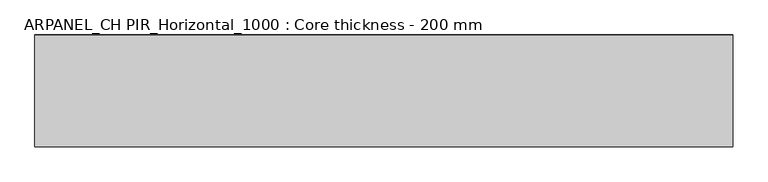
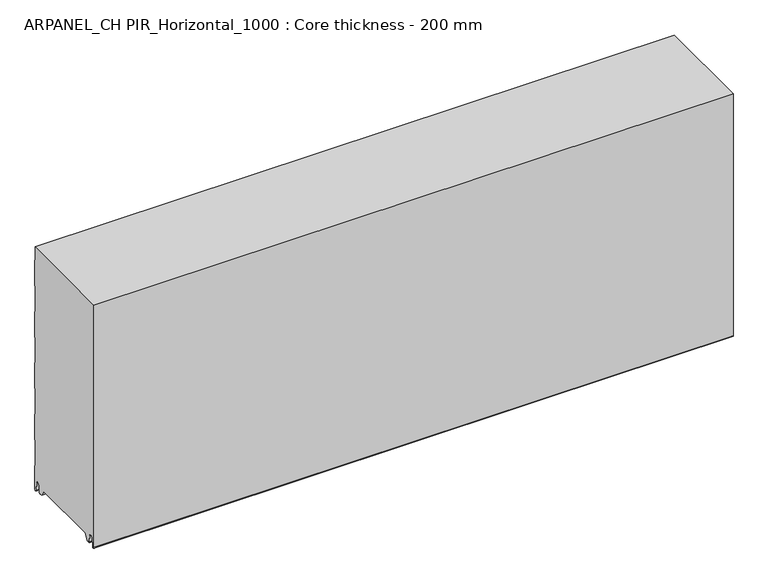
"""IFC4 building model written with IfcOpenShell, lengths in millimetres: plate geometry, ARPANEL_CH PIR_Horizontal_1000 : Core thickness - 200 mm."""

from ifc_helpers import new_model, si_unit, frame, origin, place, context, project, spatial, polyline, circle_curve, source, transform, mapped, element, save
from ifc_brep_helpers import plane_surface, cylinder_surface, revolved_surface, advanced_brep


def arpanel_ch_pir_horizontal_1000_core_thickness_200_mm_87222797(model_context):
    return source(origin(), model_context, "Body", "AdvancedBrep", [
        advanced_brep(
        [(620.0, -169.873448, 15.1417681), (620.0, -30.126552, 15.1417681), (620.0, -23.4071318, 3.165779), (620.0, -17.4169005, 3.165779), (620.0, -19.6169005, 5.365779), (620.0, -18.8169005, 5.365779), (620.0, -16.0235822, 5.2291629), (620.0, -14.6379549, 19.3608832), (620.0, -10.8223285, 22.7899182), (620.0, -7.0067021, 19.3608832), (620.0, -5.3893281, 2.8656275), (620.0, -0.8003051, 3.0900682), (620.0, -0.8, 49.9459237), (620.0, -1.0986697, 50.9973395), (620.0, -1.5003051, 52.4177205), (620.0, -1.5003051, 102.5775037), (620.0, -1.0971009, 103.9969151), (620.0, -0.8, 105.0493005), (620.0, -0.8, 155.2090837), (620.0, -1.0986697, 156.2604995), (620.0, -1.5003051, 157.6808805), (620.0, -1.5003051, 207.8406637), (620.0, -1.0971009, 209.2600751), (620.0, -0.8, 210.3124605), (620.0, -0.8, 260.4722437), (620.0, -1.0986697, 261.5236595), (620.0, -1.5003051, 262.9440405), (620.0, -1.5003051, 313.1038237), (620.0, -1.0971009, 314.5232351), (620.0, -0.8, 315.5756205), (620.0, -0.8, 365.7354037), (620.0, -1.0986697, 366.7868195), (620.0, -1.5003051, 368.2072005), (620.0, -1.5003051, 418.3669837), (620.0, -1.0971009, 419.7863951), (620.0, -0.8, 420.8387805), (620.0, -0.8, 470.9985637), (620.0, -1.0986697, 472.0499795), (620.0, -1.5003051, 473.4703605), (620.0, -1.5003051, 500.0), (620.0, -199.2, 500.0), (620.0, -199.2, 3.0900682), (620.0, -194.6106719, 2.8656275), (620.0, -192.9932979, 19.3608832), (620.0, -189.1776715, 22.7899182), (620.0, -185.3620451, 19.3608832), (620.0, -183.9764178, 5.2291629), (620.0, -181.1830995, 5.365779), (620.0, -180.3830995, 5.365779), (620.0, -182.5830995, 3.165779), (620.0, -176.5928682, 3.165779), (-620.0, -30.126552, 15.1417681), (-620.0, -169.873448, 15.1417681), (-620.0, -176.5928682, 3.165779), (-620.0, -182.5830995, 3.165779), (-620.0, -180.3830995, 5.365779), (-620.0, -181.1830995, 5.365779), (-620.0, -183.9764178, 5.2291629), (-620.0, -185.3620451, 19.3608832), (-620.0, -189.1776715, 22.7899182), (-620.0, -192.9932979, 19.3608832), (-620.0, -194.6106719, 2.8656275), (-620.0, -199.1996949, 3.0900682), (-620.0, -199.2, 500.0), (-620.0, -1.5003051, 500.0), (-620.0, -1.5003051, 473.4703605), (-620.0, -1.0971009, 472.0509491), (-620.0, -0.8, 470.9985637), (-620.0, -0.8, 420.8387805), (-620.0, -1.0986697, 419.7873646), (-620.0, -1.5003051, 418.3669837), (-620.0, -1.5003051, 368.2072005), (-620.0, -1.0971009, 366.7877891), (-620.0, -0.8, 365.7354037), (-620.0, -0.8, 315.5756205), (-620.0, -1.0986697, 314.5242046), (-620.0, -1.5003051, 313.1038237), (-620.0, -1.5003051, 262.9440405), (-620.0, -1.0971009, 261.5246291), (-620.0, -0.8, 260.4722437), (-620.0, -0.8, 210.3124605), (-620.0, -1.0986697, 209.2610446), (-620.0, -1.5003051, 207.8406637), (-620.0, -1.5003051, 157.6808805), (-620.0, -1.0971009, 156.2614691), (-620.0, -0.8, 155.2090837), (-620.0, -0.8, 105.0493005), (-620.0, -1.0986697, 103.9978846), (-620.0, -1.5003051, 102.5775037), (-620.0, -1.5003051, 52.4177205), (-620.0, -1.0971009, 50.9983091), (-620.0, -0.8, 49.9459237), (-620.0, -0.8, 3.0900682), (-620.0, -5.3893281, 2.8656275), (-620.0, -7.0067021, 19.3608832), (-620.0, -10.8223285, 22.7899182), (-620.0, -14.6379549, 19.3608832), (-620.0, -16.0235822, 5.2291629), (-620.0, -18.8169005, 5.365779), (-620.0, -19.6169005, 5.365779), (-620.0, -17.4169005, 3.165779), (-620.0, -23.4071318, 3.165779)],
        [
            (0, 1),
            (1, 2),
            (2, 3),
            (3, 4, circle_curve(frame((620.0, -17.4169005, 5.365779), z_axis=(-1.0, 0.0, 0.0), x_axis=(0.0, 0.0, -1.0)), 2.2)),
            (4, 5),
            (5, 6, circle_curve(frame((620.0, -17.4169005, 5.365779), z_axis=(1.0, 0.0, 0.0), x_axis=(0.0, 0.0, -1.0)), 1.4)),
            (6, 7),
            (7, 8, circle_curve(frame((620.0, -10.8560907, 18.9900682), z_axis=(-1.0, 0.0, 0.0), x_axis=(0.0, 0.0, -1.0)), 3.8)),
            (8, 9, circle_curve(frame((620.0, -10.7885662, 18.9900682), z_axis=(-1.0, 0.0, 0.0), x_axis=(0.0, 0.0, -1.0)), 3.8)),
            (9, 10),
            (10, 11, circle_curve(frame((620.0, -3.1003051, 3.0900682), z_axis=(1.0, 0.0, 0.0), x_axis=(0.0, 0.0, -1.0)), 2.3)),
            (11, 12),
            (12, 13, circle_curve(frame((620.0, -2.8, 49.9459237), z_axis=(1.0, 0.0, 0.0), x_axis=(0.0, 0.0, -1.0)), 2.0)),
            (13, 14, circle_curve(frame((620.0, 1.1996949, 52.4177205), z_axis=(-1.0, 0.0, 0.0), x_axis=(0.0, 0.0, -1.0)), 2.7)),
            (14, 15),
            (15, 16, circle_curve(frame((620.0, 1.1996949, 102.5775037), z_axis=(-1.0, 0.0, 0.0), x_axis=(0.0, 0.0, -1.0)), 2.7)),
            (16, 17, circle_curve(frame((620.0, -2.8, 105.0493005), z_axis=(1.0, 0.0, 0.0), x_axis=(0.0, 0.0, -1.0)), 2.0)),
            (17, 18),
            (18, 19, circle_curve(frame((620.0, -2.8, 155.2090837), z_axis=(1.0, 0.0, 0.0), x_axis=(0.0, 0.0, -1.0)), 2.0)),
            (19, 20, circle_curve(frame((620.0, 1.1996949, 157.6808805), z_axis=(-1.0, 0.0, 0.0), x_axis=(0.0, 0.0, -1.0)), 2.7)),
            (20, 21),
            (21, 22, circle_curve(frame((620.0, 1.1996949, 207.8406637), z_axis=(-1.0, 0.0, 0.0), x_axis=(0.0, 0.0, -1.0)), 2.7)),
            (22, 23, circle_curve(frame((620.0, -2.8, 210.3124605), z_axis=(1.0, 0.0, 0.0), x_axis=(0.0, 0.0, -1.0)), 2.0)),
            (23, 24),
            (24, 25, circle_curve(frame((620.0, -2.8, 260.4722437), z_axis=(1.0, 0.0, 0.0), x_axis=(0.0, 0.0, -1.0)), 2.0)),
            (25, 26, circle_curve(frame((620.0, 1.1996949, 262.9440405), z_axis=(-1.0, 0.0, 0.0), x_axis=(0.0, 0.0, -1.0)), 2.7)),
            (26, 27),
            (27, 28, circle_curve(frame((620.0, 1.1996949, 313.1038237), z_axis=(-1.0, 0.0, 0.0), x_axis=(0.0, 0.0, -1.0)), 2.7)),
            (28, 29, circle_curve(frame((620.0, -2.8, 315.5756205), z_axis=(1.0, 0.0, 0.0), x_axis=(0.0, 0.0, -1.0)), 2.0)),
            (29, 30),
            (30, 31, circle_curve(frame((620.0, -2.8, 365.7354037), z_axis=(1.0, 0.0, 0.0), x_axis=(0.0, 0.0, -1.0)), 2.0)),
            (31, 32, circle_curve(frame((620.0, 1.1996949, 368.2072005), z_axis=(-1.0, 0.0, 0.0), x_axis=(0.0, 0.0, -1.0)), 2.7)),
            (32, 33),
            (33, 34, circle_curve(frame((620.0, 1.1996949, 418.3669837), z_axis=(-1.0, 0.0, 0.0), x_axis=(0.0, 0.0, -1.0)), 2.7)),
            (34, 35, circle_curve(frame((620.0, -2.8, 420.8387805), z_axis=(1.0, 0.0, 0.0), x_axis=(0.0, 0.0, -1.0)), 2.0)),
            (35, 36),
            (36, 37, circle_curve(frame((620.0, -2.8, 470.9985637), z_axis=(1.0, 0.0, 0.0), x_axis=(0.0, 0.0, -1.0)), 2.0)),
            (37, 38, circle_curve(frame((620.0, 1.1996949, 473.4703605), z_axis=(-1.0, 0.0, 0.0), x_axis=(0.0, 0.0, -1.0)), 2.7)),
            (38, 39),
            (39, 40),
            (40, 41),
            (41, 42, circle_curve(frame((620.0, -196.8996949, 3.0900682), z_axis=(1.0, 0.0, 0.0), x_axis=(0.0, 0.0, -1.0)), 2.3)),
            (42, 43),
            (43, 44, circle_curve(frame((620.0, -189.2114338, 18.9900682), z_axis=(-1.0, 0.0, 0.0), x_axis=(0.0, 0.0, -1.0)), 3.8)),
            (44, 45, circle_curve(frame((620.0, -189.1439093, 18.9900682), z_axis=(-1.0, 0.0, 0.0), x_axis=(0.0, 0.0, -1.0)), 3.8)),
            (45, 46),
            (46, 47, circle_curve(frame((620.0, -182.5830995, 5.365779), z_axis=(1.0, 0.0, 0.0), x_axis=(0.0, 0.0, -1.0)), 1.4)),
            (47, 48),
            (48, 49, circle_curve(frame((620.0, -182.5830995, 5.365779), z_axis=(-1.0, 0.0, 0.0), x_axis=(0.0, 0.0, -1.0)), 2.2)),
            (49, 50),
            (50, 0),
            (51, 52),
            (52, 53),
            (53, 54),
            (54, 55, circle_curve(frame((-620.0, -182.5830995, 5.365779), z_axis=(1.0, 0.0, 0.0), x_axis=(0.0, 0.0, -1.0)), 2.2)),
            (55, 56),
            (56, 57, circle_curve(frame((-620.0, -182.5830995, 5.365779), z_axis=(-1.0, 0.0, 0.0), x_axis=(0.0, 0.0, -1.0)), 1.4)),
            (57, 58),
            (58, 59, circle_curve(frame((-620.0, -189.1439093, 18.9900682), z_axis=(1.0, 0.0, 0.0), x_axis=(0.0, 0.0, -1.0)), 3.8)),
            (59, 60, circle_curve(frame((-620.0, -189.2114338, 18.9900682), z_axis=(1.0, 0.0, 0.0), x_axis=(0.0, 0.0, -1.0)), 3.8)),
            (60, 61),
            (61, 62, circle_curve(frame((-620.0, -196.8996949, 3.0900682), z_axis=(-1.0, 0.0, 0.0), x_axis=(0.0, 0.0, -1.0)), 2.3)),
            (62, 63),
            (63, 64),
            (64, 65),
            (65, 66, circle_curve(frame((-620.0, 1.1996949, 473.4703605), z_axis=(1.0, 0.0, 0.0), x_axis=(0.0, 0.0, -1.0)), 2.7)),
            (66, 67, circle_curve(frame((-620.0, -2.8, 470.9985637), z_axis=(-1.0, 0.0, 0.0), x_axis=(0.0, 0.0, -1.0)), 2.0)),
            (67, 68),
            (68, 69, circle_curve(frame((-620.0, -2.8, 420.8387805), z_axis=(-1.0, 0.0, 0.0), x_axis=(0.0, 0.0, -1.0)), 2.0)),
            (69, 70, circle_curve(frame((-620.0, 1.1996949, 418.3669837), z_axis=(1.0, 0.0, 0.0), x_axis=(0.0, 0.0, -1.0)), 2.7)),
            (70, 71),
            (71, 72, circle_curve(frame((-620.0, 1.1996949, 368.2072005), z_axis=(1.0, 0.0, 0.0), x_axis=(0.0, 0.0, -1.0)), 2.7)),
            (72, 73, circle_curve(frame((-620.0, -2.8, 365.7354037), z_axis=(-1.0, 0.0, 0.0), x_axis=(0.0, 0.0, -1.0)), 2.0)),
            (73, 74),
            (74, 75, circle_curve(frame((-620.0, -2.8, 315.5756205), z_axis=(-1.0, 0.0, 0.0), x_axis=(0.0, 0.0, -1.0)), 2.0)),
            (75, 76, circle_curve(frame((-620.0, 1.1996949, 313.1038237), z_axis=(1.0, 0.0, 0.0), x_axis=(0.0, 0.0, -1.0)), 2.7)),
            (76, 77),
            (77, 78, circle_curve(frame((-620.0, 1.1996949, 262.9440405), z_axis=(1.0, 0.0, 0.0), x_axis=(0.0, 0.0, -1.0)), 2.7)),
            (78, 79, circle_curve(frame((-620.0, -2.8, 260.4722437), z_axis=(-1.0, 0.0, 0.0), x_axis=(0.0, 0.0, -1.0)), 2.0)),
            (79, 80),
            (80, 81, circle_curve(frame((-620.0, -2.8, 210.3124605), z_axis=(-1.0, 0.0, 0.0), x_axis=(0.0, 0.0, -1.0)), 2.0)),
            (81, 82, circle_curve(frame((-620.0, 1.1996949, 207.8406637), z_axis=(1.0, 0.0, 0.0), x_axis=(0.0, 0.0, -1.0)), 2.7)),
            (82, 83),
            (83, 84, circle_curve(frame((-620.0, 1.1996949, 157.6808805), z_axis=(1.0, 0.0, 0.0), x_axis=(0.0, 0.0, -1.0)), 2.7)),
            (84, 85, circle_curve(frame((-620.0, -2.8, 155.2090837), z_axis=(-1.0, 0.0, 0.0), x_axis=(0.0, 0.0, -1.0)), 2.0)),
            (85, 86),
            (86, 87, circle_curve(frame((-620.0, -2.8, 105.0493005), z_axis=(-1.0, 0.0, 0.0), x_axis=(0.0, 0.0, -1.0)), 2.0)),
            (87, 88, circle_curve(frame((-620.0, 1.1996949, 102.5775037), z_axis=(1.0, 0.0, 0.0), x_axis=(0.0, 0.0, -1.0)), 2.7)),
            (88, 89),
            (89, 90, circle_curve(frame((-620.0, 1.1996949, 52.4177205), z_axis=(1.0, 0.0, 0.0), x_axis=(0.0, 0.0, -1.0)), 2.7)),
            (90, 91, circle_curve(frame((-620.0, -2.8, 49.9459237), z_axis=(-1.0, 0.0, 0.0), x_axis=(0.0, 0.0, -1.0)), 2.0)),
            (91, 92),
            (92, 93, circle_curve(frame((-620.0, -3.1003051, 3.0900682), z_axis=(-1.0, 0.0, 0.0), x_axis=(0.0, 0.0, -1.0)), 2.3)),
            (93, 94),
            (94, 95, circle_curve(frame((-620.0, -10.7885662, 18.9900682), z_axis=(1.0, 0.0, 0.0), x_axis=(0.0, 0.0, -1.0)), 3.8)),
            (95, 96, circle_curve(frame((-620.0, -10.8560907, 18.9900682), z_axis=(1.0, 0.0, 0.0), x_axis=(0.0, 0.0, -1.0)), 3.8)),
            (96, 97),
            (97, 98, circle_curve(frame((-620.0, -17.4169005, 5.365779), z_axis=(-1.0, 0.0, 0.0), x_axis=(0.0, 0.0, -1.0)), 1.4)),
            (98, 99),
            (99, 100, circle_curve(frame((-620.0, -17.4169005, 5.365779), z_axis=(1.0, 0.0, 0.0), x_axis=(0.0, 0.0, -1.0)), 2.2)),
            (100, 101),
            (101, 51),
            (1, 51),
            (101, 2),
            (0, 52),
            (50, 53),
            (99, 4),
            (3, 100),
            (98, 5),
            (97, 6),
            (96, 7),
            (95, 8),
            (94, 9),
            (93, 10),
            (92, 11),
            (91, 12),
            (90, 13),
            (89, 14),
            (88, 15),
            (87, 16),
            (86, 17),
            (85, 18),
            (84, 19),
            (83, 20),
            (82, 21),
            (81, 22),
            (80, 23),
            (79, 24),
            (78, 25),
            (77, 26),
            (76, 27),
            (75, 28),
            (74, 29),
            (73, 30),
            (72, 31),
            (71, 32),
            (70, 33),
            (69, 34),
            (68, 35),
            (67, 36),
            (66, 37),
            (65, 38),
            (64, 39),
            (62, 41),
            (40, 63),
            (61, 42),
            (60, 43),
            (59, 44),
            (58, 45),
            (57, 46),
            (56, 47),
            (55, 48),
            (54, 49),
        ],
        [
            plane_surface(frame((620.0, 0.0, 0.0), z_axis=(1.0, 0.0, 0.0), x_axis=(0.0, -1.0, 0.0))),
            plane_surface(frame((-620.0, 0.0, 0.0), z_axis=(-1.0, 0.0, 0.0), x_axis=(0.0, -1.0, 0.0))),
            plane_surface(frame((620.0, -30.126552, 15.1417681), z_axis=(0.0, -0.8721062992196836, -0.4893164649399687), x_axis=(-1.0, 0.0, 0.0))),
            plane_surface(frame((620.0, -169.873448, 15.1417681), z_axis=(0.0, 0.0, -1.0), x_axis=(-1.0, 0.0, 0.0))),
            plane_surface(frame((620.0, -176.8190247, 2.7627014), z_axis=(0.0, 0.8721062992196872, -0.4893164649399624), x_axis=(-1.0, 0.0, 0.0))),
            revolved_surface(polyline([(620.0, -17.4169005, 3.1657789999999997), (-620.0, -17.4169005, 3.1657789999999997)]), (750.0, -17.4169005, 5.365779), (1.0, 0.0, 0.0)),
            plane_surface(frame((750.0, -18.8169005, 5.365779), z_axis=(0.0, 0.0, -1.0), x_axis=(-1.0, 0.0, 0.0))),
            cylinder_surface(frame((750.0, -17.4169005, 5.365779), z_axis=(-1.0, 0.0, 0.0), x_axis=(0.0, 0.0, -1.0)), 1.4),
            plane_surface(frame((750.0, -14.6379549, 19.3608832), z_axis=(0.0, 0.9952273999818297, -0.09758289975916531), x_axis=(-1.0, 0.0, 0.0))),
            revolved_surface(polyline([(620.0, -10.8560907, 15.190068199999999), (-620.0, -10.8560907, 15.190068199999999)]), (750.0, -10.8560907, 18.9900682), (1.0, 0.0, 0.0)),
            revolved_surface(polyline([(620.0, -10.7885662, 15.190068199999999), (-620.0, -10.7885662, 15.190068199999999)]), (750.0, -10.7885662, 18.9900682), (1.0, 0.0, 0.0)),
            plane_surface(frame((750.0, -5.3893281, 2.8656275), z_axis=(0.0, -0.9952273999818314, -0.09758289975914787), x_axis=(-1.0, 0.0, 0.0))),
            cylinder_surface(frame((750.0, -3.1003051, 3.0900682), z_axis=(-1.0, 0.0, 0.0), x_axis=(0.0, 0.0, -1.0)), 2.3),
            plane_surface(frame((750.0, -0.8, 49.9459237), z_axis=(0.0, 1.0, 0.0), x_axis=(-1.0, 0.0, 0.0))),
            cylinder_surface(frame((750.0, -2.8, 49.9459237), z_axis=(-1.0, 0.0, 0.0), x_axis=(0.0, 0.0, -1.0)), 2.0),
            revolved_surface(polyline([(620.0, 1.1996949, 49.7177205), (-620.0, 1.1996949, 49.7177205)]), (750.0, 1.1996949, 52.4177205), (1.0, 0.0, 0.0)),
            plane_surface(frame((750.0, -1.5003051, 102.5775037), z_axis=(0.0, 1.0, 0.0), x_axis=(-1.0, 0.0, 0.0))),
            revolved_surface(polyline([(620.0, 1.1996949, 99.87750369999999), (-620.0, 1.1996949, 99.87750369999999)]), (750.0, 1.1996949, 102.5775037), (1.0, 0.0, 0.0)),
            cylinder_surface(frame((750.0, -2.8, 105.0493005), z_axis=(-1.0, 0.0, 0.0), x_axis=(0.0, 0.0, -1.0)), 2.0),
            plane_surface(frame((750.0, -0.8, 155.2090837), z_axis=(0.0, 1.0, 0.0), x_axis=(-1.0, 0.0, 0.0))),
            cylinder_surface(frame((750.0, -2.8, 155.2090837), z_axis=(-1.0, 0.0, 0.0), x_axis=(0.0, 0.0, -1.0)), 2.0),
            revolved_surface(polyline([(620.0, 1.1996949, 154.9808805), (-620.0, 1.1996949, 154.9808805)]), (750.0, 1.1996949, 157.6808805), (1.0, 0.0, 0.0)),
            plane_surface(frame((750.0, -1.5003051, 207.8406637), z_axis=(0.0, 1.0, 0.0), x_axis=(-1.0, 0.0, 0.0))),
            revolved_surface(polyline([(620.0, 1.1996949, 205.1406637), (-620.0, 1.1996949, 205.1406637)]), (750.0, 1.1996949, 207.8406637), (1.0, 0.0, 0.0)),
            cylinder_surface(frame((750.0, -2.8, 210.3124605), z_axis=(-1.0, 0.0, 0.0), x_axis=(0.0, 0.0, -1.0)), 2.0),
            plane_surface(frame((750.0, -0.8, 260.4722437), z_axis=(0.0, 1.0, 0.0), x_axis=(-1.0, 0.0, 0.0))),
            cylinder_surface(frame((750.0, -2.8, 260.4722437), z_axis=(-1.0, 0.0, 0.0), x_axis=(0.0, 0.0, -1.0)), 2.0),
            revolved_surface(polyline([(620.0, 1.1996949, 260.24404050000004), (-620.0, 1.1996949, 260.24404050000004)]), (750.0, 1.1996949, 262.9440405), (1.0, 0.0, 0.0)),
            plane_surface(frame((750.0, -1.5003051, 313.1038237), z_axis=(0.0, 1.0, 0.0), x_axis=(-1.0, 0.0, 0.0))),
            revolved_surface(polyline([(620.0, 1.1996949, 310.40382370000003), (-620.0, 1.1996949, 310.40382370000003)]), (750.0, 1.1996949, 313.1038237), (1.0, 0.0, 0.0)),
            cylinder_surface(frame((750.0, -2.8, 315.5756205), z_axis=(-1.0, 0.0, 0.0), x_axis=(0.0, 0.0, -1.0)), 2.0),
            plane_surface(frame((750.0, -0.8, 365.7354037), z_axis=(0.0, 1.0, 0.0), x_axis=(-1.0, 0.0, 0.0))),
            cylinder_surface(frame((750.0, -2.8, 365.7354037), z_axis=(-1.0, 0.0, 0.0), x_axis=(0.0, 0.0, -1.0)), 2.0),
            revolved_surface(polyline([(620.0, 1.1996949, 365.5072005), (-620.0, 1.1996949, 365.5072005)]), (750.0, 1.1996949, 368.2072005), (1.0, 0.0, 0.0)),
            plane_surface(frame((750.0, -1.5003051, 418.3669837), z_axis=(0.0, 1.0, 0.0), x_axis=(-1.0, 0.0, 0.0))),
            revolved_surface(polyline([(620.0, 1.1996949, 415.6669837), (-620.0, 1.1996949, 415.6669837)]), (750.0, 1.1996949, 418.3669837), (1.0, 0.0, 0.0)),
            cylinder_surface(frame((750.0, -2.8, 420.8387805), z_axis=(-1.0, 0.0, 0.0), x_axis=(0.0, 0.0, -1.0)), 2.0),
            plane_surface(frame((750.0, -0.8, 470.9985637), z_axis=(0.0, 1.0, 0.0), x_axis=(-1.0, 0.0, 0.0))),
            cylinder_surface(frame((750.0, -2.8, 470.9985637), z_axis=(-1.0, 0.0, 0.0), x_axis=(0.0, 0.0, -1.0)), 2.0),
            revolved_surface(polyline([(620.0, 1.1996949, 470.77036050000004), (-620.0, 1.1996949, 470.77036050000004)]), (750.0, 1.1996949, 473.4703605), (1.0, 0.0, 0.0)),
            plane_surface(frame((750.0, -1.5003051, 523.6301437), z_axis=(0.0, 1.0, 0.0), x_axis=(-1.0, 0.0, 0.0))),
            plane_surface(frame((750.0, -199.2, 3.0900682), z_axis=(0.0, -1.0, 0.0), x_axis=(-1.0, 0.0, 0.0))),
            cylinder_surface(frame((750.0, -196.8996949, 3.0900682), z_axis=(-1.0, 0.0, 0.0), x_axis=(0.0, 0.0, -1.0)), 2.3),
            plane_surface(frame((750.0, -192.9932979, 19.3608832), z_axis=(0.0, 0.9952273999818314, -0.09758289975914787), x_axis=(-1.0, 0.0, 0.0))),
            revolved_surface(polyline([(620.0, -189.2114338, 15.190068199999999), (-620.0, -189.2114338, 15.190068199999999)]), (750.0, -189.2114338, 18.9900682), (1.0, 0.0, 0.0)),
            revolved_surface(polyline([(620.0, -189.1439093, 15.190068199999999), (-620.0, -189.1439093, 15.190068199999999)]), (750.0, -189.1439093, 18.9900682), (1.0, 0.0, 0.0)),
            plane_surface(frame((750.0, -183.9764178, 5.2291629), z_axis=(0.0, -0.9952273999818297, -0.09758289975916531), x_axis=(-1.0, 0.0, 0.0))),
            cylinder_surface(frame((750.0, -182.5830995, 5.365779), z_axis=(-1.0, 0.0, 0.0), x_axis=(0.0, 0.0, -1.0)), 1.4),
            plane_surface(frame((750.0, -180.3830995, 5.365779), z_axis=(0.0, 0.0, -1.0), x_axis=(-1.0, 0.0, 0.0))),
            revolved_surface(polyline([(620.0, -182.5830995, 3.1657789999999997), (-620.0, -182.5830995, 3.1657789999999997)]), (750.0, -182.5830995, 5.365779), (1.0, 0.0, 0.0)),
            plane_surface(frame((-620.0, -182.5830995, 3.165779), z_axis=(0.0, 0.0, -1.0), x_axis=(1.0, 0.0, 0.0))),
            plane_surface(frame((-620.0, 134.0533409, 500.0), z_axis=(0.0, 0.0, 1.0), x_axis=(1.0, 0.0, 0.0))),
        ],
        [
            (0, [[1, 2, 3, 4, 5, 6, 7, 8, 9, 10, 11, 12, 13, 14, 15, 16, 17, 18, 19, 20, 21, 22, 23, 24, 25, 26, 27, 28, 29, 30, 31, 32, 33, 34, 35, 36, 37, 38, 39, 40, 41, 42, 43, 44, 45, 46, 47, 48, 49, 50, 51]]),
            (1, [[52, 53, 54, 55, 56, 57, 58, 59, 60, 61, 62, 63, 64, 65, 66, 67, 68, 69, 70, 71, 72, 73, 74, 75, 76, 77, 78, 79, 80, 81, 82, 83, 84, 85, 86, 87, 88, 89, 90, 91, 92, 93, 94, 95, 96, 97, 98, 99, 100, 101, 102]]),
            (2, [[103, -102, 104, -2]]),
            (3, [[-1, 105, -52, -103]]),
            (4, [[-105, -51, 106, -53]]),
            (5, [[107, -4, 108, -100]]),
            (6, [[-107, -99, 109, -5]]),
            (7, [[-109, -98, 110, -6]]),
            (8, [[-110, -97, 111, -7]]),
            (9, [[-111, -96, 112, -8]]),
            (10, [[-112, -95, 113, -9]]),
            (11, [[-113, -94, 114, -10]]),
            (12, [[-114, -93, 115, -11]]),
            (13, [[-115, -92, 116, -12]]),
            (14, [[-116, -91, 117, -13]]),
            (15, [[-117, -90, 118, -14]]),
            (16, [[-118, -89, 119, -15]]),
            (17, [[-119, -88, 120, -16]]),
            (18, [[-120, -87, 121, -17]]),
            (19, [[-121, -86, 122, -18]]),
            (20, [[-122, -85, 123, -19]]),
            (21, [[-123, -84, 124, -20]]),
            (22, [[-124, -83, 125, -21]]),
            (23, [[-125, -82, 126, -22]]),
            (24, [[-126, -81, 127, -23]]),
            (25, [[-127, -80, 128, -24]]),
            (26, [[-128, -79, 129, -25]]),
            (27, [[-129, -78, 130, -26]]),
            (28, [[-130, -77, 131, -27]]),
            (29, [[-131, -76, 132, -28]]),
            (30, [[-132, -75, 133, -29]]),
            (31, [[-133, -74, 134, -30]]),
            (32, [[-134, -73, 135, -31]]),
            (33, [[-135, -72, 136, -32]]),
            (34, [[-136, -71, 137, -33]]),
            (35, [[-137, -70, 138, -34]]),
            (36, [[-138, -69, 139, -35]]),
            (37, [[-139, -68, 140, -36]]),
            (38, [[-140, -67, 141, -37]]),
            (39, [[-141, -66, 142, -38]]),
            (40, [[-142, -65, 143, -39]]),
            (41, [[144, -41, 145, -63]]),
            (42, [[-144, -62, 146, -42]]),
            (43, [[-146, -61, 147, -43]]),
            (44, [[-147, -60, 148, -44]]),
            (45, [[-148, -59, 149, -45]]),
            (46, [[-149, -58, 150, -46]]),
            (47, [[-150, -57, 151, -47]]),
            (48, [[-151, -56, 152, -48]]),
            (49, [[-152, -55, 153, -49]]),
            (50, [[-3, -104, -101, -108]]),
            (50, [[-50, -153, -54, -106]]),
            (51, [[-143, -64, -145, -40]]),
        ],
    ),
    ])


if __name__ == "__main__":
    model = new_model("IFC4")
    model_context = context("Model", 3, world=origin())
    ifc_project = project(units=[si_unit("LENGTHUNIT", "METRE", prefix="MILLI")], contexts=[model_context])
    site = spatial("IfcSite", under=ifc_project)
    building = spatial("IfcBuilding", under=site)
    placement = place(None, origin())
    arpanel_ch_pir_horizontal_1000_core_thickness_200_mm_shape = arpanel_ch_pir_horizontal_1000_core_thickness_200_mm_87222797(model_context)
    element("IfcPlate", 1, ObjectType="ARPANEL_CH PIR_Horizontal_1000 : Core thickness - 200 mm", at=placement, inside=building, context=model_context, shape_type="MappedRepresentation", body=[
        mapped(arpanel_ch_pir_horizontal_1000_core_thickness_200_mm_shape, transform((0.0, 0.0, 0.0), x_axis=(1.0, 0.0, 0.0), y_axis=(0.0, 1.0, 0.0), z_axis=(0.0, 0.0, 1.0))),
    ])
    save(model, "model.ifc")
